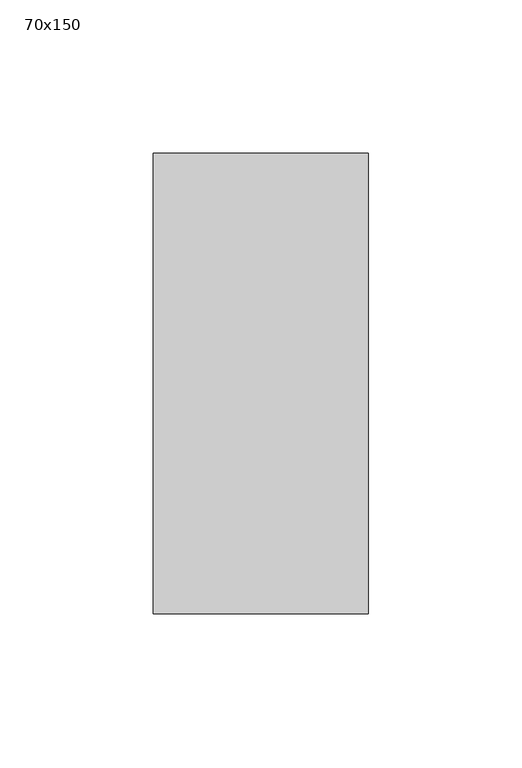
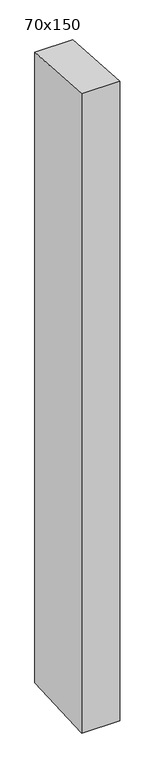
"""IFC4 building model written with IfcOpenShell, lengths in millimetres: member geometry, 70x150."""

from ifc_helpers import new_model, si_unit, frame, origin, place, context, project, spatial, polyline, outline, extrude, source, transform, mapped, element, save


def member_70x150_ac20b297(model_context):
    return source(origin(), model_context, "Body", "SweptSolid", [
        extrude(outline(polyline([(-75.0, 4.7475929), (75.0, -4.7475929), (75.0, -1237.232109), (-75.0, -1244.7469313), (-75.0, 4.7475929)])), frame((-35.0, 0.0, 0.0), z_axis=(1.0, 0.0, 0.0), x_axis=(0.0, 1.0, 0.0)), (0.0, 0.0, 1.0), 70.0),
    ])


if __name__ == "__main__":
    model = new_model("IFC4")
    model_context = context("Model", 3, world=origin())
    ifc_project = project(units=[si_unit("LENGTHUNIT", "METRE", prefix="MILLI")], contexts=[model_context])
    site = spatial("IfcSite", under=ifc_project)
    building = spatial("IfcBuilding", under=site)
    placement = place(None, origin())
    member_70x150_shape = member_70x150_ac20b297(model_context)
    element("IfcMember", 1, ObjectType="70x150", at=placement, inside=building, context=model_context, shape_type="MappedRepresentation", body=[
        mapped(member_70x150_shape, transform((0.0, 0.0, 0.0), x_axis=(1.0, 0.0, 0.0), y_axis=(0.0, 1.0, 0.0), z_axis=(0.0, 0.0, 1.0))),
    ])
    save(model, "model.ifc")
